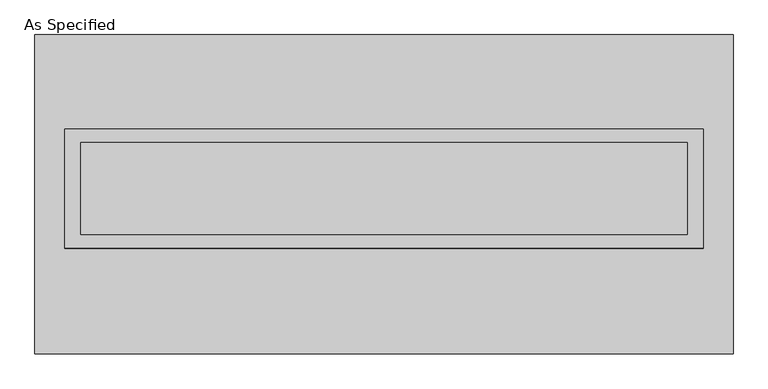
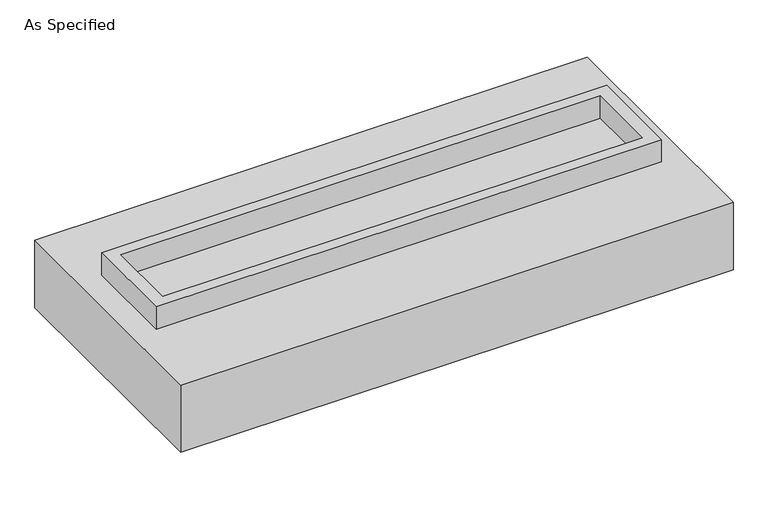
"""IFC4 building model written with IfcOpenShell, lengths in millimetres: proxy geometry, As Specified."""

from ifc_helpers import new_model, si_unit, frame, origin, place, context, project, spatial, polyline, outline, extrude, source, transform, mapped, element, save


def as_specified_c43260b5(model_context):
    return source(origin(), model_context, "Body", "SweptSolid", [
        extrude(outline(polyline([(1765.3, 361.95), (1765.3, -298.45), (-1765.3, -298.45), (-1765.3, 361.95), (1765.3, 361.95)]), holes=[polyline([(1676.4, 285.75), (-1676.4, 285.75), (-1676.4, -222.25), (1676.4, -222.25), (1676.4, 285.75)])]), frame((0.0, 0.0, -688.975), z_axis=(0.0, 0.0, 1.0), x_axis=(1.0, 0.0, 0.0)), (0.0, 0.0, 1.0), 165.1),
        extrude(outline(polyline([(1765.3, 361.95), (1765.3, -298.45), (-1765.3, -298.45), (-1765.3, 361.95), (1765.3, 361.95)]), holes=[polyline([(1676.4, 285.75), (-1676.4, 285.75), (-1676.4, -222.25), (1676.4, -222.25), (1676.4, 285.75)])]), frame((0.0, 0.0, -25.4), z_axis=(0.0, 0.0, 1.0), x_axis=(1.0, 0.0, 0.0)), (0.0, 0.0, 1.0), 165.1),
        extrude(outline(polyline([(1676.4, 285.75), (1676.4, -222.25), (-1676.4, -222.25), (-1676.4, 285.75), (1676.4, 285.75)])), frame((0.0, 0.0, -523.875), z_axis=(0.0, 0.0, 1.0), x_axis=(1.0, 0.0, 0.0)), (0.0, 0.0, 1.0), 4.9609375),
        extrude(outline(polyline([(1676.4, 285.75), (1676.4, -222.25), (-1676.4, -222.25), (-1676.4, 285.75), (1676.4, 285.75)])), frame((0.0, 0.0, -30.3609375), z_axis=(0.0, 0.0, 1.0), x_axis=(1.0, 0.0, 0.0)), (0.0, 0.0, 1.0), 4.9609375),
        extrude(outline(polyline([(1930.4, -882.65), (-1930.4, -882.65), (-1930.4, 882.65), (1930.4, 882.65), (1930.4, -882.65)]), holes=[polyline([(-1765.3, 361.95), (-1765.3, -298.45), (1765.3, -298.45), (1765.3, 361.95), (-1765.3, 361.95)])]), frame((0.0, 0.0, -523.875), z_axis=(0.0, 0.0, 1.0), x_axis=(1.0, 0.0, 0.0)), (0.0, 0.0, 1.0), 498.475),
    ])


if __name__ == "__main__":
    model = new_model("IFC4")
    model_context = context("Model", 3, world=origin())
    ifc_project = project(units=[si_unit("LENGTHUNIT", "METRE", prefix="MILLI")], contexts=[model_context])
    site = spatial("IfcSite", under=ifc_project)
    building = spatial("IfcBuilding", under=site)
    placement = place(None, origin())
    as_specified_shape = as_specified_c43260b5(model_context)
    element("IfcBuildingElementProxy", 1, Name="As Specified", ObjectType="As Specified", at=placement, inside=building, context=model_context, shape_type="MappedRepresentation", body=[
        mapped(as_specified_shape, transform((0.0, 0.0, 0.0), x_axis=(1.0, 0.0, 0.0), y_axis=(0.0, 1.0, 0.0), z_axis=(0.0, 0.0, 1.0))),
    ])
    save(model, "model.ifc")
